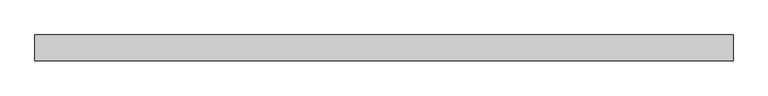
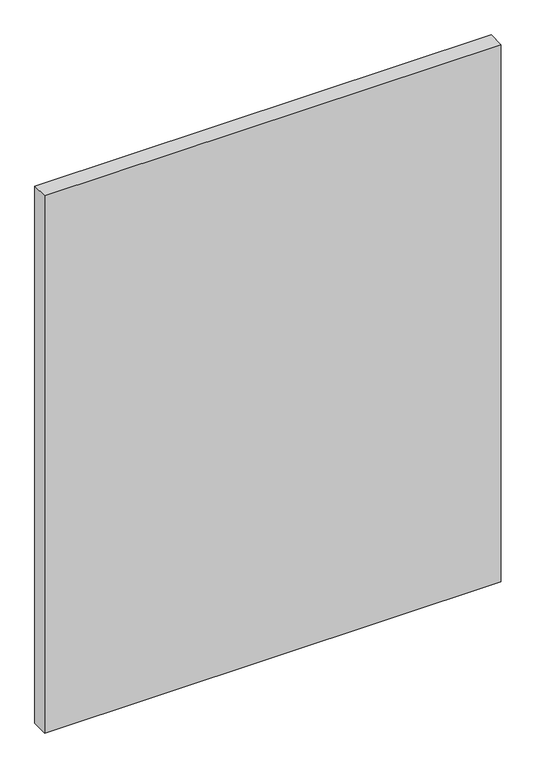
"""IFC4 building model written with IfcOpenShell, lengths in millimetres: plate geometry."""

import ifcopenshell
import ifcopenshell.guid

model = None  # the IFC model being written
_history = None  # IfcOwnerHistory: only IFC2X3 demands one
_inside = {}  # id of a spatial element -> (the spatial element, [elements in it])
_under = {}  # id of a project, library or spatial element -> (it, [spatial elements below it])
_declared = {}  # id of a project -> (the project, [libraries it declares])
_typed = {}  # id of a type object -> (the type object, [elements of that type])
_made_of = {}  # id of a material, layer set ... -> (it, [elements and type objects made of it])


def new_model(schema):
    """Start an empty IFC model of exactly this schema.

    Asked for "IFC4X3", IfcOpenShell would pick the latest addendum, in which some entities
    have other attributes; the version numbers below select the first issue.
    IFC2X3 requires an IfcOwnerHistory on every rooted entity: one is made here for all.
    """
    global model, _history
    if schema == "IFC4X3":
        model = ifcopenshell.file(schema_version=(4, 3, 0, 0))
    else:
        model = ifcopenshell.file(schema=schema)
    _inside.clear()
    _under.clear()
    _declared.clear()
    _typed.clear()
    _made_of.clear()
    _history = None
    if model.schema == "IFC2X3":
        org = make("IfcOrganization", Name="unknown")
        user = make(
            "IfcPersonAndOrganization",
            ThePerson=make("IfcPerson", FamilyName="unknown"),
            TheOrganization=org,
        )
        app = make(
            "IfcApplication",
            ApplicationDeveloper=org,
            Version="unknown",
            ApplicationFullName="unknown",
            ApplicationIdentifier="unknown",
        )
        _history = make(
            "IfcOwnerHistory",
            OwningUser=user,
            OwningApplication=app,
            ChangeAction="ADDED",
            CreationDate=0,
        )
    return model


def make(cls, **values):
    """One entity of the class cls with the attributes given. An attribute that is None is left unset."""
    return model.create_entity(
        cls, **{name: value for name, value in values.items() if value is not None}
    )


def rooted(cls, **values):
    """An entity with a GlobalId (a new one), such as an element, a storey or a relation."""
    return make(cls, GlobalId=ifcopenshell.guid.new(), OwnerHistory=_history, **values)


def si_unit(unit_type, name, prefix=None):
    """IfcSIUnit, for example si_unit("LENGTHUNIT", "METRE", prefix="MILLI")."""
    return make("IfcSIUnit", UnitType=unit_type, Prefix=prefix, Name=name)


def assignment(units):
    """IfcUnitAssignment: the units of a project."""
    return None if units is None else make("IfcUnitAssignment", Units=units)


def point(xyz):
    """IfcCartesianPoint."""
    return None if xyz is None else make("IfcCartesianPoint", Coordinates=xyz)


def direction(xyz):
    """IfcDirection."""
    return None if xyz is None else make("IfcDirection", DirectionRatios=xyz)


def frame(location, z_axis=None, x_axis=None):
    """IfcAxis2Placement3D, a coordinate frame: its origin and axes. An axis left out is left unset."""
    return make(
        "IfcAxis2Placement3D",
        Location=point(location),
        Axis=direction(z_axis),
        RefDirection=direction(x_axis),
    )


def origin():
    """The frame at (0, 0, 0) with its axes left unset."""
    return frame((0.0, 0.0, 0.0))


def origin_with_axes():
    """The frame at (0, 0, 0) with the z axis (0, 0, 1) and the x axis (1, 0, 0) written out."""
    return frame((0.0, 0.0, 0.0), z_axis=(0.0, 0.0, 1.0), x_axis=(1.0, 0.0, 0.0))


def place(relative_to, where):
    """IfcLocalPlacement: puts the frame where relative to a parent placement (None: the world)."""
    return make(
        "IfcLocalPlacement", PlacementRelTo=relative_to, RelativePlacement=where
    )


def context(
    kind, dimensions, precision=None, world=None, true_north=None, identifier=None
):
    """IfcGeometricRepresentationContext, for example the 3D "Model" context."""
    return make(
        "IfcGeometricRepresentationContext",
        ContextIdentifier=identifier,
        ContextType=kind,
        CoordinateSpaceDimension=dimensions,
        Precision=precision,
        WorldCoordinateSystem=world,
        TrueNorth=true_north,
    )


def project(units=None, contexts=None):
    """IfcProject with its units and contexts."""
    return rooted(
        "IfcProject",
        Name="project",
        RepresentationContexts=contexts,
        UnitsInContext=assignment(units),
    )


def spatial(cls, under=None, at=None, **own):
    """A site, building, storey or space (cls), placed at a placement, below another one or the project."""
    s = rooted(cls, ObjectPlacement=at, **own)
    if under is not None:
        _under.setdefault(under.id(), (under, []))[1].append(s)
    return s


def polyline(points):
    """IfcPolyline through the points."""
    return make("IfcPolyline", Points=[point(p) for p in points])


def outline(outer, holes=None, kind="AREA"):
    """IfcArbitraryClosedProfileDef: a profile drawn as a closed curve; with holes, ...WithVoids."""
    if holes is None:
        return make("IfcArbitraryClosedProfileDef", ProfileType=kind, OuterCurve=outer)
    return make(
        "IfcArbitraryProfileDefWithVoids",
        ProfileType=kind,
        OuterCurve=outer,
        InnerCurves=holes,
    )


def extrude(swept, where, along, depth):
    """IfcExtrudedAreaSolid: the profile swept, set in the frame where, extruded along a direction by depth."""
    return make(
        "IfcExtrudedAreaSolid",
        SweptArea=swept,
        Position=where,
        ExtrudedDirection=direction(along),
        Depth=depth,
    )


def shape(context_of_items, identifier, shape_type, items):
    """IfcShapeRepresentation: the items that make up one representation, for example the "Body"."""
    return make(
        "IfcShapeRepresentation",
        ContextOfItems=context_of_items,
        RepresentationIdentifier=identifier,
        RepresentationType=shape_type,
        Items=items,
    )


def source(mapping_origin, context_of_items, identifier, shape_type, items):
    """IfcRepresentationMap: a shape defined once, which mapped items show again and again."""
    return make(
        "IfcRepresentationMap",
        MappingOrigin=mapping_origin,
        MappedRepresentation=shape(context_of_items, identifier, shape_type, items),
    )


def transform(
    local_origin,
    x_axis=None,
    y_axis=None,
    z_axis=None,
    scale=None,
    scale2=None,
    scale3=None,
    uniform=True,
):
    """IfcCartesianTransformationOperator3D, or its non-uniform kind. x_axis, y_axis, z_axis: its Axis1, 2, 3."""
    if uniform:
        return make(
            "IfcCartesianTransformationOperator3D",
            Axis1=direction(x_axis),
            Axis2=direction(y_axis),
            LocalOrigin=point(local_origin),
            Scale=scale,
            Axis3=direction(z_axis),
        )
    return make(
        "IfcCartesianTransformationOperator3DnonUniform",
        Axis1=direction(x_axis),
        Axis2=direction(y_axis),
        LocalOrigin=point(local_origin),
        Scale=scale,
        Axis3=direction(z_axis),
        Scale2=scale2,
        Scale3=scale3,
    )


def mapped(mapping_source, mapping_target):
    """IfcMappedItem: shows the shape of a source again, moved by a transform."""
    return make(
        "IfcMappedItem", MappingSource=mapping_source, MappingTarget=mapping_target
    )


def made_of(thing, what):
    """Note that an element or type object is made of a material, layer set ...; save() writes the relation."""
    if what is not None:
        _made_of.setdefault(what.id(), (what, []))[1].append(thing)
    return thing


def element(
    cls,
    number,
    at=None,
    inside=None,
    cuts=None,
    type_object=None,
    material=None,
    context=None,
    identifier="Body",
    shape_type=None,
    held_by="IfcProductDefinitionShape",
    body=None,
    shapes=None,
    **own,
):
    """One element of the class cls, such as IfcWall. Its Tag is "e" and its number.

    at: its placement. inside: the storey or other place that contains it. cuts: it is an
    opening in that element (IfcRelVoidsElement). A single representation is given by context,
    identifier, shape_type and body (its items); several are given by shapes. held_by: the class
    of the entity that holds the representations. save() writes the other relations.
    """
    e = rooted(cls, Tag="e%d" % number, ObjectPlacement=at, **own)
    if body is not None:
        shapes = [shape(context, identifier, shape_type, body)]
    if shapes is not None:
        e.Representation = make(held_by, Representations=shapes)
    if inside is not None:
        _inside.setdefault(inside.id(), (inside, []))[1].append(e)
    if cuts is not None:
        rooted(
            "IfcRelVoidsElement", RelatingBuildingElement=cuts, RelatedOpeningElement=e
        )
    if type_object is not None:
        _typed.setdefault(type_object.id(), (type_object, []))[1].append(e)
    return made_of(e, material)


def aggregate(whole, parts):
    """IfcRelAggregates: a whole, such as a stair, and the parts it consists of."""
    return rooted("IfcRelAggregates", RelatingObject=whole, RelatedObjects=parts)


def save(model, path):
    """Write the relations noted so far, then the file.

    IfcRelAggregates (storeys below a building ...), IfcRelContainedInSpatialStructure (elements
    in a storey), IfcRelDefinesByType, IfcRelAssociatesMaterial and IfcRelDeclares: one each for
    every whole, place, type object, material and project.
    """
    for whole, parts in _under.values():
        aggregate(whole, parts)
    for where, things in _inside.values():
        rooted(
            "IfcRelContainedInSpatialStructure",
            RelatedElements=things,
            RelatingStructure=where,
        )
    for kind, things in _typed.values():
        rooted("IfcRelDefinesByType", RelatedObjects=things, RelatingType=kind)
    for what, things in _made_of.values():
        rooted("IfcRelAssociatesMaterial", RelatedObjects=things, RelatingMaterial=what)
    for by, libraries in _declared.values():
        rooted("IfcRelDeclares", RelatingContext=by, RelatedDefinitions=libraries)
    model.write(path)


def plate_76906e03(model_context):
    return source(origin(), model_context, "Body", "SweptSolid", [
        extrude(outline(polyline([(708.2821394, -26.19375), (-708.2821394, -26.19375), (-708.2821394, 26.19375), (708.2821394, 26.19375), (708.2821394, -26.19375)])), origin_with_axes(), (0.0, 0.0, 1.0), 1761.3),
    ])


if __name__ == "__main__":
    model = new_model("IFC4")
    model_context = context("Model", 3, world=origin())
    ifc_project = project(units=[si_unit("LENGTHUNIT", "METRE", prefix="MILLI")], contexts=[model_context])
    site = spatial("IfcSite", under=ifc_project)
    building = spatial("IfcBuilding", under=site)
    placement = place(None, origin())
    plate_shape = plate_76906e03(model_context)
    element("IfcPlate", 1, at=placement, inside=building, context=model_context, shape_type="MappedRepresentation", body=[
        mapped(plate_shape, transform((0.0, 0.0, 0.0), x_axis=(1.0, 0.0, 0.0), y_axis=(0.0, 1.0, 0.0), z_axis=(0.0, 0.0, 1.0))),
    ])
    save(model, "model.ifc")
